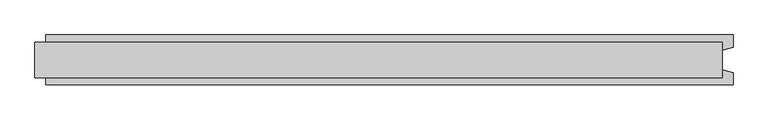
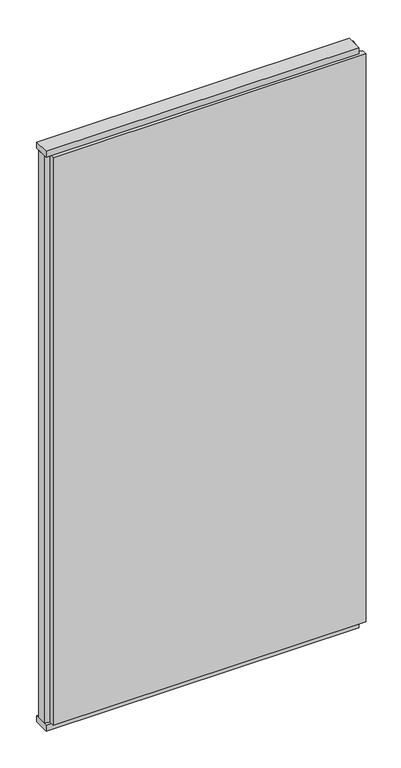
"""IFC4 building model written with IfcOpenShell, lengths in millimetres: plate geometry."""

from ifc_helpers import new_model, si_unit, frame, origin, origin_with_axes, place, context, project, spatial, polyline, outline, extrude, source, transform, mapped, element, save


def plate_add9ec50(model_context):
    return source(origin(), model_context, "Body", "SweptSolid", [
        extrude(outline(polyline([(620.0, 32.0), (620.0, -32.0), (-620.0, -32.0), (-620.0, 32.0), (620.0, 32.0)])), origin_with_axes(), (0.0, 0.0, 1.0), 25.0),
        extrude(outline(polyline([(620.0, 32.0), (620.0, -32.0), (-620.0, -32.0), (-620.0, 32.0), (620.0, 32.0)])), frame((0.0, 0.0, 2402.0), z_axis=(0.0, 0.0, 1.0), x_axis=(1.0, 0.0, 0.0)), (0.0, 0.0, 1.0), 25.0),
        extrude(outline(polyline([(640.0, 45.0), (640.0, 22.9993165), (620.0, 17.6401049), (620.0, -17.6401049), (640.0, -22.9993165), (640.0, -45.0), (-600.0, -45.0), (-600.0, -22.9993165), (-620.0, -17.6401049), (-620.0, 17.6401049), (-600.0, 22.9993165), (-600.0, 45.0), (640.0, 45.0)])), frame((0.0, 0.0, 25.0), z_axis=(0.0, 0.0, 1.0), x_axis=(1.0, 0.0, 0.0)), (0.0, 0.0, 1.0), 2377.0),
    ])


if __name__ == "__main__":
    model = new_model("IFC4")
    model_context = context("Model", 3, world=origin())
    ifc_project = project(units=[si_unit("LENGTHUNIT", "METRE", prefix="MILLI")], contexts=[model_context])
    site = spatial("IfcSite", under=ifc_project)
    building = spatial("IfcBuilding", under=site)
    placement = place(None, origin())
    plate_shape = plate_add9ec50(model_context)
    element("IfcPlate", 1, at=placement, inside=building, context=model_context, shape_type="MappedRepresentation", body=[
        mapped(plate_shape, transform((0.0, 0.0, 0.0), x_axis=(1.0, 0.0, 0.0), y_axis=(0.0, 1.0, 0.0), z_axis=(0.0, 0.0, 1.0))),
    ])
    save(model, "model.ifc")
